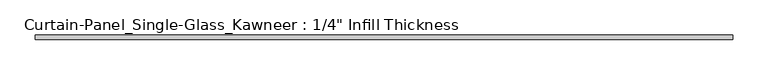
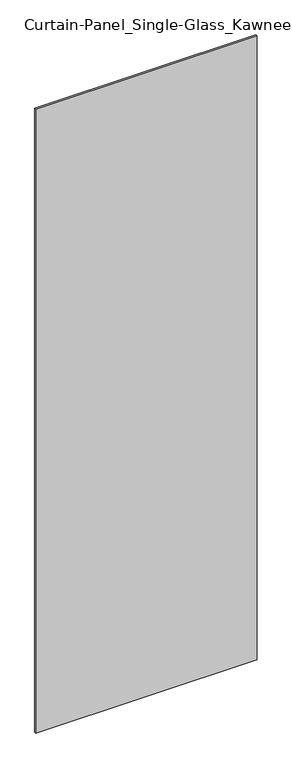
"""IFC4 building model written with IfcOpenShell, lengths in millimetres: plate geometry."""

from ifc_helpers import new_model, si_unit, origin, origin_with_axes, place, context, project, spatial, polyline, outline, extrude, source, transform, mapped, element, save


def plate_e8b941f0(model_context):
    return source(origin(), model_context, "Body", "SweptSolid", [
        extrude(outline(polyline([(496.57, -3.175), (-496.57, -3.175), (-496.57, 3.175), (496.57, 3.175), (496.57, -3.175)])), origin_with_axes(), (0.0, 0.0, 1.0), 2959.1),
    ])


if __name__ == "__main__":
    model = new_model("IFC4")
    model_context = context("Model", 3, world=origin())
    ifc_project = project(units=[si_unit("LENGTHUNIT", "METRE", prefix="MILLI")], contexts=[model_context])
    site = spatial("IfcSite", under=ifc_project)
    building = spatial("IfcBuilding", under=site)
    placement = place(None, origin())
    plate_shape = plate_e8b941f0(model_context)
    element("IfcPlate", 1, ObjectType="Curtain-Panel_Single-Glass_Kawneer : 1/4\" Infill Thickness", at=placement, inside=building, context=model_context, shape_type="MappedRepresentation", body=[
        mapped(plate_shape, transform((0.0, 0.0, 0.0), x_axis=(1.0, 0.0, 0.0), y_axis=(0.0, 1.0, 0.0), z_axis=(0.0, 0.0, 1.0))),
    ])
    save(model, "model.ifc")
